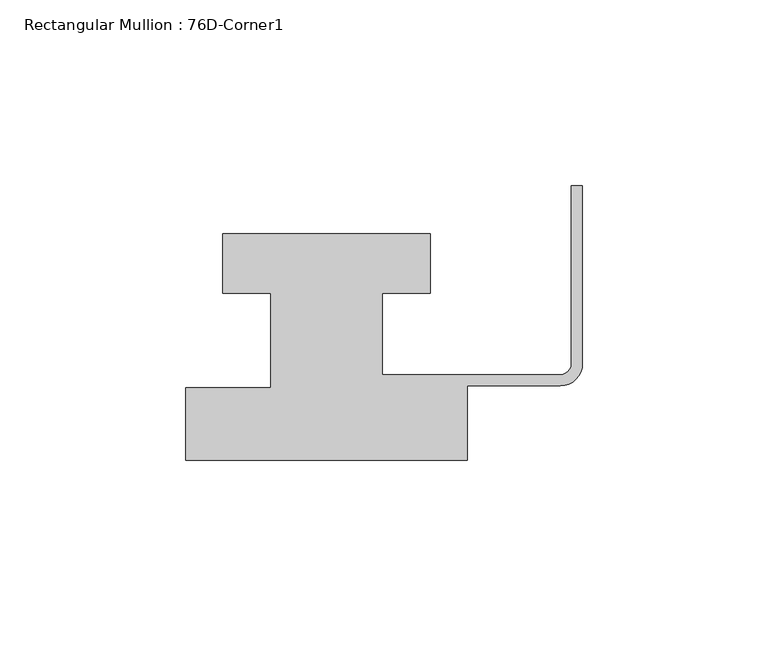
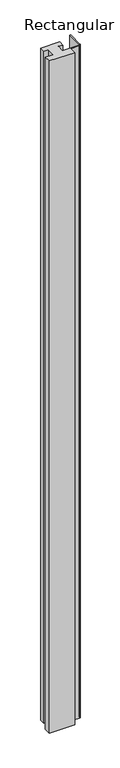
"""IFC4 building model written with IfcOpenShell, lengths in millimetres: member geometry, Rectangular Mullion : 76D-Corner1."""

from ifc_helpers import new_model, si_unit, point, frame, frame_2d, origin, place, context, project, spatial, polyline, circle_curve, trimmed, segment, composite_curve, outline, extrude, source, transform, mapped, element, save


def rectangular_mullion_76d_corner1_5fee92ec(model_context):
    return source(origin(), model_context, "Body", "SweptSolid", [
        extrude(outline(composite_curve([segment(polyline([(-107.0, -20.0), (-107.0, -0.5), (-84.0, -0.5), (-84.0, 25.0), (-97.0, 25.0), (-97.0, 41.0), (-41.0, 41.0), (-41.0, 25.0), (-54.0, 25.0), (-54.0, 3.0), (-6.0, 3.0)]), True, "CONTINUOUS"), segment(trimmed(circle_curve(frame_2d((-6.0, 6.0)), 3.0), [point((-6.0, 3.0))], [point((-3.0, 6.0))], True, "CARTESIAN"), True, "CONTINUOUS"), segment(polyline([(-3.0, 6.0), (-3.0, 54.0), (0.0, 54.0), (0.0, 6.0)]), True, "CONTINUOUS"), segment(trimmed(circle_curve(frame_2d((-6.0, 6.0)), 6.0), [point((0.0, 6.0))], [point((-6.0, 0.0))], False, "CARTESIAN"), True, "CONTINUOUS"), segment(polyline([(-6.0, 0.0), (-31.0, 0.0), (-31.0, -20.0), (-107.0, -20.0)]), True, "CONTINUOUS")], self_intersect=False)), frame((0.0, 0.0, -2124.0), z_axis=(0.0, 0.0, 1.0), x_axis=(1.0, 0.0, 0.0)), (0.0, 0.0, 1.0), 2124.0),
    ])


if __name__ == "__main__":
    model = new_model("IFC4")
    model_context = context("Model", 3, world=origin())
    ifc_project = project(units=[si_unit("LENGTHUNIT", "METRE", prefix="MILLI")], contexts=[model_context])
    site = spatial("IfcSite", under=ifc_project)
    building = spatial("IfcBuilding", under=site)
    placement = place(None, origin())
    rectangular_mullion_76d_corner1_shape = rectangular_mullion_76d_corner1_5fee92ec(model_context)
    element("IfcMember", 1, ObjectType="Rectangular Mullion : 76D-Corner1", at=placement, inside=building, context=model_context, shape_type="MappedRepresentation", body=[
        mapped(rectangular_mullion_76d_corner1_shape, transform((0.0, 0.0, 0.0), x_axis=(1.0, 0.0, 0.0), y_axis=(0.0, 1.0, 0.0), z_axis=(0.0, 0.0, 1.0))),
    ])
    save(model, "model.ifc")
